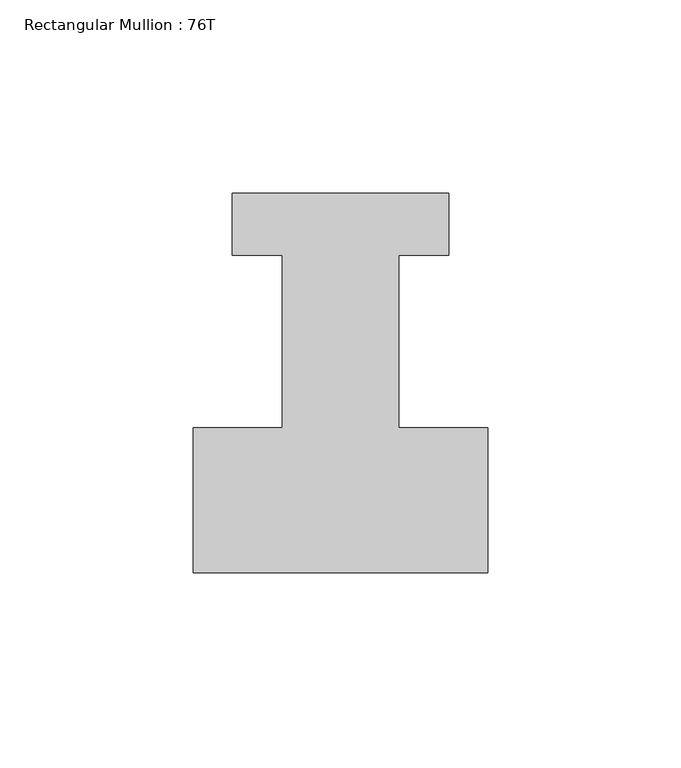
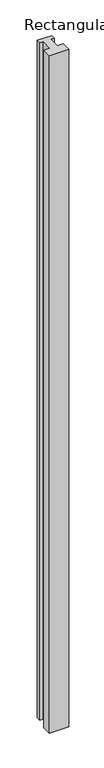
"""IFC4 building model written with IfcOpenShell, lengths in millimetres: member geometry, Rectangular Mullion : 76T."""

from ifc_helpers import new_model, si_unit, frame, origin, place, context, project, spatial, polyline, outline, extrude, source, transform, mapped, element, save


def rectangular_mullion_76t_e1afedf7(model_context):
    return source(origin(), model_context, "Body", "SweptSolid", [
        extrude(outline(polyline([(0.0, -38.0), (-76.0, -38.0), (-76.0, -0.5), (-53.0, -0.5), (-53.0, 44.0), (-66.0, 44.0), (-66.0, 60.0), (-10.0, 60.0), (-10.0, 44.0), (-23.0, 44.0), (-23.0, -0.5), (0.0, -0.5), (0.0, -38.0)])), frame((0.0, 0.0, -2800.0), z_axis=(0.0, 0.0, 1.0), x_axis=(1.0, 0.0, 0.0)), (0.0, 0.0, 1.0), 2800.0),
    ])


if __name__ == "__main__":
    model = new_model("IFC4")
    model_context = context("Model", 3, world=origin())
    ifc_project = project(units=[si_unit("LENGTHUNIT", "METRE", prefix="MILLI")], contexts=[model_context])
    site = spatial("IfcSite", under=ifc_project)
    building = spatial("IfcBuilding", under=site)
    placement = place(None, origin())
    rectangular_mullion_76t_shape = rectangular_mullion_76t_e1afedf7(model_context)
    element("IfcMember", 1, ObjectType="Rectangular Mullion : 76T", at=placement, inside=building, context=model_context, shape_type="MappedRepresentation", body=[
        mapped(rectangular_mullion_76t_shape, transform((0.0, 0.0, 0.0), x_axis=(1.0, 0.0, 0.0), y_axis=(0.0, 1.0, 0.0), z_axis=(0.0, 0.0, 1.0))),
    ])
    save(model, "model.ifc")
